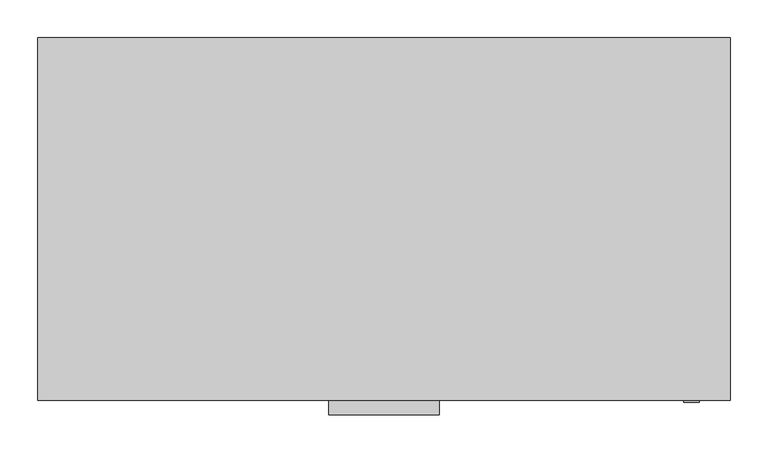
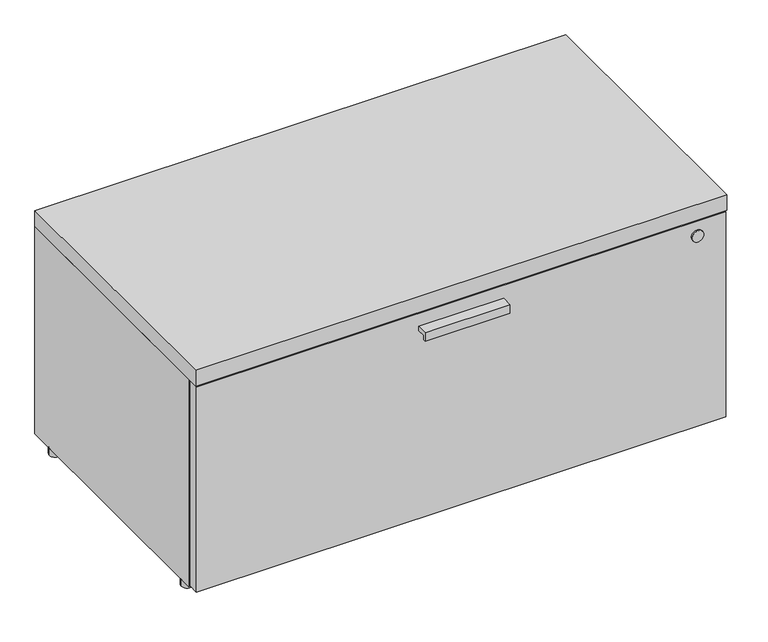
"""IFC4 building model written with IfcOpenShell, lengths in millimetres: furniture geometry."""

import ifcopenshell
import ifcopenshell.guid

model = None  # the IFC model being written
_history = None  # IfcOwnerHistory: only IFC2X3 demands one
_inside = {}  # id of a spatial element -> (the spatial element, [elements in it])
_under = {}  # id of a project, library or spatial element -> (it, [spatial elements below it])
_declared = {}  # id of a project -> (the project, [libraries it declares])
_typed = {}  # id of a type object -> (the type object, [elements of that type])
_made_of = {}  # id of a material, layer set ... -> (it, [elements and type objects made of it])


def new_model(schema):
    """Start an empty IFC model of exactly this schema.

    Asked for "IFC4X3", IfcOpenShell would pick the latest addendum, in which some entities
    have other attributes; the version numbers below select the first issue.
    IFC2X3 requires an IfcOwnerHistory on every rooted entity: one is made here for all.
    """
    global model, _history
    if schema == "IFC4X3":
        model = ifcopenshell.file(schema_version=(4, 3, 0, 0))
    else:
        model = ifcopenshell.file(schema=schema)
    _inside.clear()
    _under.clear()
    _declared.clear()
    _typed.clear()
    _made_of.clear()
    _history = None
    if model.schema == "IFC2X3":
        org = make("IfcOrganization", Name="unknown")
        user = make(
            "IfcPersonAndOrganization",
            ThePerson=make("IfcPerson", FamilyName="unknown"),
            TheOrganization=org,
        )
        app = make(
            "IfcApplication",
            ApplicationDeveloper=org,
            Version="unknown",
            ApplicationFullName="unknown",
            ApplicationIdentifier="unknown",
        )
        _history = make(
            "IfcOwnerHistory",
            OwningUser=user,
            OwningApplication=app,
            ChangeAction="ADDED",
            CreationDate=0,
        )
    return model


def make(cls, **values):
    """One entity of the class cls with the attributes given. An attribute that is None is left unset."""
    return model.create_entity(
        cls, **{name: value for name, value in values.items() if value is not None}
    )


def rooted(cls, **values):
    """An entity with a GlobalId (a new one), such as an element, a storey or a relation."""
    return make(cls, GlobalId=ifcopenshell.guid.new(), OwnerHistory=_history, **values)


def si_unit(unit_type, name, prefix=None):
    """IfcSIUnit, for example si_unit("LENGTHUNIT", "METRE", prefix="MILLI")."""
    return make("IfcSIUnit", UnitType=unit_type, Prefix=prefix, Name=name)


def assignment(units):
    """IfcUnitAssignment: the units of a project."""
    return None if units is None else make("IfcUnitAssignment", Units=units)


def point(xyz):
    """IfcCartesianPoint."""
    return None if xyz is None else make("IfcCartesianPoint", Coordinates=xyz)


def direction(xyz):
    """IfcDirection."""
    return None if xyz is None else make("IfcDirection", DirectionRatios=xyz)


def frame(location, z_axis=None, x_axis=None):
    """IfcAxis2Placement3D, a coordinate frame: its origin and axes. An axis left out is left unset."""
    return make(
        "IfcAxis2Placement3D",
        Location=point(location),
        Axis=direction(z_axis),
        RefDirection=direction(x_axis),
    )


def frame_2d(location, x_axis=None):
    """IfcAxis2Placement2D, a coordinate frame in the plane: its origin and x axis."""
    return make(
        "IfcAxis2Placement2D", Location=point(location), RefDirection=direction(x_axis)
    )


def origin():
    """The frame at (0, 0, 0) with its axes left unset."""
    return frame((0.0, 0.0, 0.0))


def origin_with_axes():
    """The frame at (0, 0, 0) with the z axis (0, 0, 1) and the x axis (1, 0, 0) written out."""
    return frame((0.0, 0.0, 0.0), z_axis=(0.0, 0.0, 1.0), x_axis=(1.0, 0.0, 0.0))


def place(relative_to, where):
    """IfcLocalPlacement: puts the frame where relative to a parent placement (None: the world)."""
    return make(
        "IfcLocalPlacement", PlacementRelTo=relative_to, RelativePlacement=where
    )


def context(
    kind, dimensions, precision=None, world=None, true_north=None, identifier=None
):
    """IfcGeometricRepresentationContext, for example the 3D "Model" context."""
    return make(
        "IfcGeometricRepresentationContext",
        ContextIdentifier=identifier,
        ContextType=kind,
        CoordinateSpaceDimension=dimensions,
        Precision=precision,
        WorldCoordinateSystem=world,
        TrueNorth=true_north,
    )


def project(units=None, contexts=None):
    """IfcProject with its units and contexts."""
    return rooted(
        "IfcProject",
        Name="project",
        RepresentationContexts=contexts,
        UnitsInContext=assignment(units),
    )


def spatial(cls, under=None, at=None, **own):
    """A site, building, storey or space (cls), placed at a placement, below another one or the project."""
    s = rooted(cls, ObjectPlacement=at, **own)
    if under is not None:
        _under.setdefault(under.id(), (under, []))[1].append(s)
    return s


def polyline(points):
    """IfcPolyline through the points."""
    return make("IfcPolyline", Points=[point(p) for p in points])


def circle_curve(where, radius):
    """IfcCircle in the frame where."""
    return make("IfcCircle", Position=where, Radius=radius)


def trimmed(basis, trim1, trim2, sense, master):
    """IfcTrimmedCurve: the piece of a basis curve between two trims."""
    return make(
        "IfcTrimmedCurve",
        BasisCurve=basis,
        Trim1=trim1,
        Trim2=trim2,
        SenseAgreement=sense,
        MasterRepresentation=master,
    )


def segment(curve, same_sense, transition):
    """IfcCompositeCurveSegment."""
    return make(
        "IfcCompositeCurveSegment",
        Transition=transition,
        SameSense=same_sense,
        ParentCurve=curve,
    )


def composite_curve(segments, self_intersect=None):
    """IfcCompositeCurve: segments joined end to end."""
    return make("IfcCompositeCurve", Segments=segments, SelfIntersect=self_intersect)


def outline(outer, holes=None, kind="AREA"):
    """IfcArbitraryClosedProfileDef: a profile drawn as a closed curve; with holes, ...WithVoids."""
    if holes is None:
        return make("IfcArbitraryClosedProfileDef", ProfileType=kind, OuterCurve=outer)
    return make(
        "IfcArbitraryProfileDefWithVoids",
        ProfileType=kind,
        OuterCurve=outer,
        InnerCurves=holes,
    )


def extrude(swept, where, along, depth):
    """IfcExtrudedAreaSolid: the profile swept, set in the frame where, extruded along a direction by depth."""
    return make(
        "IfcExtrudedAreaSolid",
        SweptArea=swept,
        Position=where,
        ExtrudedDirection=direction(along),
        Depth=depth,
    )


def shape(context_of_items, identifier, shape_type, items):
    """IfcShapeRepresentation: the items that make up one representation, for example the "Body"."""
    return make(
        "IfcShapeRepresentation",
        ContextOfItems=context_of_items,
        RepresentationIdentifier=identifier,
        RepresentationType=shape_type,
        Items=items,
    )


def source(mapping_origin, context_of_items, identifier, shape_type, items):
    """IfcRepresentationMap: a shape defined once, which mapped items show again and again."""
    return make(
        "IfcRepresentationMap",
        MappingOrigin=mapping_origin,
        MappedRepresentation=shape(context_of_items, identifier, shape_type, items),
    )


def transform(
    local_origin,
    x_axis=None,
    y_axis=None,
    z_axis=None,
    scale=None,
    scale2=None,
    scale3=None,
    uniform=True,
):
    """IfcCartesianTransformationOperator3D, or its non-uniform kind. x_axis, y_axis, z_axis: its Axis1, 2, 3."""
    if uniform:
        return make(
            "IfcCartesianTransformationOperator3D",
            Axis1=direction(x_axis),
            Axis2=direction(y_axis),
            LocalOrigin=point(local_origin),
            Scale=scale,
            Axis3=direction(z_axis),
        )
    return make(
        "IfcCartesianTransformationOperator3DnonUniform",
        Axis1=direction(x_axis),
        Axis2=direction(y_axis),
        LocalOrigin=point(local_origin),
        Scale=scale,
        Axis3=direction(z_axis),
        Scale2=scale2,
        Scale3=scale3,
    )


def mapped(mapping_source, mapping_target):
    """IfcMappedItem: shows the shape of a source again, moved by a transform."""
    return make(
        "IfcMappedItem", MappingSource=mapping_source, MappingTarget=mapping_target
    )


def made_of(thing, what):
    """Note that an element or type object is made of a material, layer set ...; save() writes the relation."""
    if what is not None:
        _made_of.setdefault(what.id(), (what, []))[1].append(thing)
    return thing


def element(
    cls,
    number,
    at=None,
    inside=None,
    cuts=None,
    type_object=None,
    material=None,
    context=None,
    identifier="Body",
    shape_type=None,
    held_by="IfcProductDefinitionShape",
    body=None,
    shapes=None,
    **own,
):
    """One element of the class cls, such as IfcWall. Its Tag is "e" and its number.

    at: its placement. inside: the storey or other place that contains it. cuts: it is an
    opening in that element (IfcRelVoidsElement). A single representation is given by context,
    identifier, shape_type and body (its items); several are given by shapes. held_by: the class
    of the entity that holds the representations. save() writes the other relations.
    """
    e = rooted(cls, Tag="e%d" % number, ObjectPlacement=at, **own)
    if body is not None:
        shapes = [shape(context, identifier, shape_type, body)]
    if shapes is not None:
        e.Representation = make(held_by, Representations=shapes)
    if inside is not None:
        _inside.setdefault(inside.id(), (inside, []))[1].append(e)
    if cuts is not None:
        rooted(
            "IfcRelVoidsElement", RelatingBuildingElement=cuts, RelatedOpeningElement=e
        )
    if type_object is not None:
        _typed.setdefault(type_object.id(), (type_object, []))[1].append(e)
    return made_of(e, material)


def aggregate(whole, parts):
    """IfcRelAggregates: a whole, such as a stair, and the parts it consists of."""
    return rooted("IfcRelAggregates", RelatingObject=whole, RelatedObjects=parts)


def save(model, path):
    """Write the relations noted so far, then the file.

    IfcRelAggregates (storeys below a building ...), IfcRelContainedInSpatialStructure (elements
    in a storey), IfcRelDefinesByType, IfcRelAssociatesMaterial and IfcRelDeclares: one each for
    every whole, place, type object, material and project.
    """
    for whole, parts in _under.values():
        aggregate(whole, parts)
    for where, things in _inside.values():
        rooted(
            "IfcRelContainedInSpatialStructure",
            RelatedElements=things,
            RelatingStructure=where,
        )
    for kind, things in _typed.values():
        rooted("IfcRelDefinesByType", RelatedObjects=things, RelatingType=kind)
    for what, things in _made_of.values():
        rooted("IfcRelAssociatesMaterial", RelatedObjects=things, RelatingMaterial=what)
    for by, libraries in _declared.values():
        rooted("IfcRelDeclares", RelatingContext=by, RelatedDefinitions=libraries)
    model.write(path)


def furniture_4d76af79(model_context):
    return source(origin(), model_context, "Body", "SweptSolid", [
        extrude(outline(polyline([(-498.5971736, 365.125), (-479.425, 365.125), (-479.425, 357.1748), (-494.157, 357.1748), (-494.157, 349.2246), (-498.5971736, 349.2246), (-498.5971736, 365.125)])), frame((384.175, 0.0, 0.0), z_axis=(1.0, 0.0, 0.0), x_axis=(0.0, 1.0, 0.0)), (0.0, 0.0, 1.0), 146.05),
        extrude(outline(composite_curve([segment(trimmed(circle_curve(frame_2d((362.585, 863.6)), 10.16), [point((362.585, 853.44))], [point((362.585, 873.76))], False, "CARTESIAN"), True, "CONTINUOUS"), segment(trimmed(circle_curve(frame_2d((362.585, 863.6)), 10.16), [point((362.585, 873.76))], [point((362.585, 853.44))], False, "CARTESIAN"), True, "CONTINUOUS")], self_intersect=False)), frame((0.0, -481.965, 0.0), z_axis=(0.0, 1.0, 0.0), x_axis=(0.0, 0.0, 1.0)), (0.0, 0.0, 1.0), 2.54),
        extrude(outline(composite_curve([segment(trimmed(circle_curve(frame_2d((10.16, -43.18)), 10.16), [point((0.0, -43.18))], [point((20.32, -43.18))], False, "CARTESIAN"), True, "CONTINUOUS"), segment(trimmed(circle_curve(frame_2d((10.16, -43.18)), 10.16), [point((20.32, -43.18))], [point((0.0, -43.18))], False, "CARTESIAN"), True, "CONTINUOUS")], self_intersect=False)), origin_with_axes(), (0.0, 0.0, 1.0), 12.7),
        extrude(outline(composite_curve([segment(trimmed(circle_curve(frame_2d((904.24, -43.18)), 10.16), [point((894.08, -43.18))], [point((914.4, -43.18))], False, "CARTESIAN"), True, "CONTINUOUS"), segment(trimmed(circle_curve(frame_2d((904.24, -43.18)), 10.16), [point((914.4, -43.18))], [point((894.08, -43.18))], False, "CARTESIAN"), True, "CONTINUOUS")], self_intersect=False)), origin_with_axes(), (0.0, 0.0, 1.0), 12.7),
        extrude(outline(composite_curve([segment(trimmed(circle_curve(frame_2d((10.16, -436.245)), 10.16), [point((0.0, -436.245))], [point((20.32, -436.245))], False, "CARTESIAN"), True, "CONTINUOUS"), segment(trimmed(circle_curve(frame_2d((10.16, -436.245)), 10.16), [point((20.32, -436.245))], [point((0.0, -436.245))], False, "CARTESIAN"), True, "CONTINUOUS")], self_intersect=False)), origin_with_axes(), (0.0, 0.0, 1.0), 12.7),
        extrude(outline(composite_curve([segment(trimmed(circle_curve(frame_2d((904.24, -436.245)), 10.16), [point((894.08, -436.245))], [point((914.4, -436.245))], False, "CARTESIAN"), True, "CONTINUOUS"), segment(trimmed(circle_curve(frame_2d((904.24, -436.245)), 10.16), [point((914.4, -436.245))], [point((894.08, -436.245))], False, "CARTESIAN"), True, "CONTINUOUS")], self_intersect=False)), origin_with_axes(), (0.0, 0.0, 1.0), 12.7),
        extrude(outline(polyline([(914.4, 0.0), (914.4, -479.425), (0.0, -479.425), (0.0, 0.0), (914.4, 0.0)])), frame((0.0, 0.0, 390.525), z_axis=(0.0, 0.0, 1.0), x_axis=(1.0, 0.0, 0.0)), (0.0, 0.0, 1.0), 28.575),
        extrude(outline(polyline([(913.13, -460.375), (913.13, -479.425), (1.27, -479.425), (1.27, -460.375), (913.13, -460.375)])), frame((0.0, 0.0, 15.24), z_axis=(0.0, 0.0, 1.0), x_axis=(1.0, 0.0, 0.0)), (0.0, 0.0, 1.0), 372.745),
        extrude(outline(polyline([(0.0, 12.7), (-459.105, 12.7), (-459.105, 105.41), (-20.32, 105.41), (-20.32, 390.525), (0.0, 390.525), (0.0, 12.7)])), frame((20.32, 0.0, 0.0), z_axis=(1.0, 0.0, 0.0), x_axis=(0.0, 1.0, 0.0)), (0.0, 0.0, 1.0), 873.76),
        extrude(outline(polyline([(20.32, 0.0), (20.32, -459.105), (0.0, -459.105), (0.0, 0.0), (20.32, 0.0)])), frame((0.0, 0.0, 12.7), z_axis=(0.0, 0.0, 1.0), x_axis=(1.0, 0.0, 0.0)), (0.0, 0.0, 1.0), 377.825),
        extrude(outline(polyline([(894.08, 0.0), (914.4, 0.0), (914.4, -459.105), (894.08, -459.105), (894.08, 0.0)])), frame((0.0, 0.0, 12.7), z_axis=(0.0, 0.0, 1.0), x_axis=(1.0, 0.0, 0.0)), (0.0, 0.0, 1.0), 377.825),
    ])


if __name__ == "__main__":
    model = new_model("IFC4")
    model_context = context("Model", 3, world=origin())
    ifc_project = project(units=[si_unit("LENGTHUNIT", "METRE", prefix="MILLI")], contexts=[model_context])
    site = spatial("IfcSite", under=ifc_project)
    building = spatial("IfcBuilding", under=site)
    placement = place(None, origin())
    furniture_shape = furniture_4d76af79(model_context)
    element("IfcFurniture", 1, at=placement, inside=building, context=model_context, shape_type="MappedRepresentation", body=[
        mapped(furniture_shape, transform((0.0, 0.0, 0.0), x_axis=(1.0, 0.0, 0.0), y_axis=(0.0, 1.0, 0.0), z_axis=(0.0, 0.0, 1.0))),
    ])
    save(model, "model.ifc")
